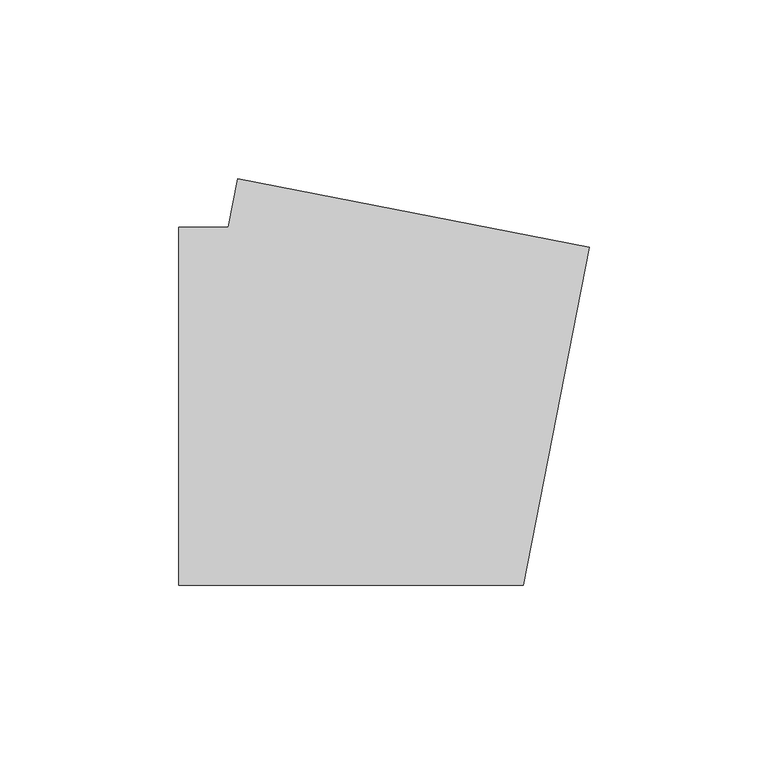
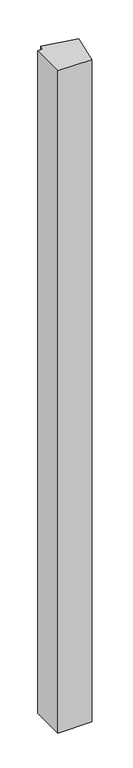
"""IFC4 building model written with IfcOpenShell, lengths in millimetres: member geometry."""

from ifc_helpers import new_model, si_unit, frame, origin, place, context, project, spatial, polyline, outline, extrude, source, transform, mapped, element, save


def member_15b17c8d(model_context):
    return source(origin(), model_context, "Body", "SweptSolid", [
        extrude(outline(polyline([(59.5758539, 44.4490453), (41.2168193, -50.0), (-55.0, -50.0), (-55.0, 50.0), (-41.2168193, 50.0), (-38.5868644, 63.5299449), (59.5758539, 44.4490453)])), frame((0.0, 0.0, -2000.0), z_axis=(0.0, 0.0, 1.0), x_axis=(1.0, 0.0, 0.0)), (0.0, 0.0, 1.0), 2000.0),
    ])


if __name__ == "__main__":
    model = new_model("IFC4")
    model_context = context("Model", 3, world=origin())
    ifc_project = project(units=[si_unit("LENGTHUNIT", "METRE", prefix="MILLI")], contexts=[model_context])
    site = spatial("IfcSite", under=ifc_project)
    building = spatial("IfcBuilding", under=site)
    placement = place(None, origin())
    member_shape = member_15b17c8d(model_context)
    element("IfcMember", 1, at=placement, inside=building, context=model_context, shape_type="MappedRepresentation", body=[
        mapped(member_shape, transform((0.0, 0.0, 0.0), x_axis=(1.0, 0.0, 0.0), y_axis=(0.0, 1.0, 0.0), z_axis=(0.0, 0.0, 1.0))),
    ])
    save(model, "model.ifc")
